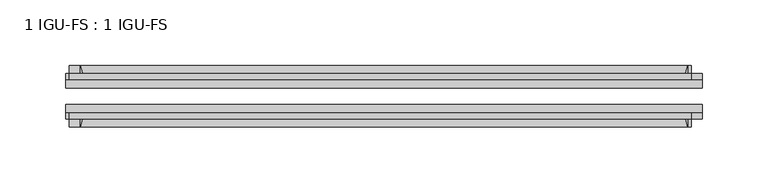
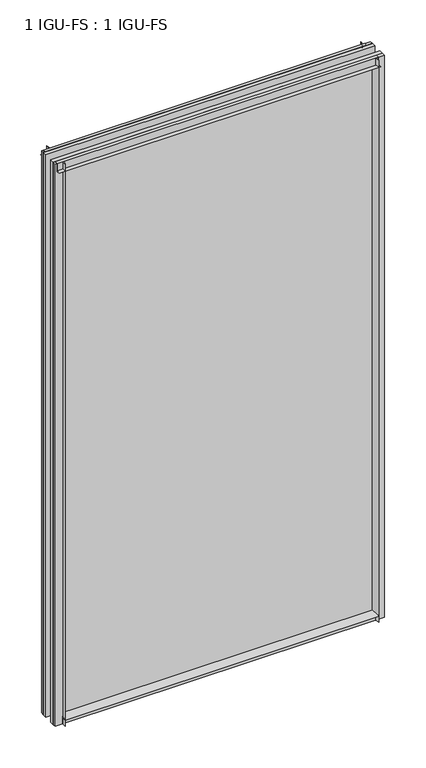
"""IFC4 building model written with IfcOpenShell, lengths in millimetres: plate geometry, 1 IGU-FS : 1 IGU-FS."""

from ifc_helpers import new_model, si_unit, point, frame, frame_2d, origin, place, context, project, spatial, polyline, circle_curve, trimmed, segment, composite_curve, outline, extrude, source, transform, mapped, element, save


def plate_1_igu_fs_1_igu_fs_431c0cd8(model_context):
    return source(origin(), model_context, "Body", "SweptSolid", [
        extrude(outline(composite_curve([segment(polyline([(-44.859575, -9.525), (-44.859575, 0.0), (-50.8285753, 0.0)]), True, "CONTINUOUS"), segment(trimmed(circle_curve(frame_2d((-56.4601953, 32.279754)), 32.7673262), [point((-50.8285753, 0.0))], [point((-40.084375, 3.8978906))], True, "CARTESIAN"), True, "CONTINUOUS"), segment(polyline([(-40.084375, 3.8978906), (-40.084375, -9.525), (-44.859575, -9.525)]), True, "CONTINUOUS")], self_intersect=False)), frame((-231.2458333, 0.0, 0.0), z_axis=(1.0, 0.0, 0.0), x_axis=(0.0, 1.0, 0.0)), (0.0, 0.0, 1.0), 462.4916667),
        extrude(outline(composite_curve([segment(polyline([(-9.909175, -9.525), (-14.684375, -9.525), (-14.684375, 3.8978906)]), True, "CONTINUOUS"), segment(trimmed(circle_curve(frame_2d((1.6914453, 32.279754)), 32.7673262), [point((-14.684375, 3.8978906))], [point((-3.9401747, 0.0))], True, "CARTESIAN"), True, "CONTINUOUS"), segment(polyline([(-3.9401747, 0.0), (-9.909175, 0.0), (-9.909175, -9.525)]), True, "CONTINUOUS")], self_intersect=False)), frame((-231.2458333, 0.0, 0.0), z_axis=(1.0, 0.0, 0.0), x_axis=(0.0, 1.0, 0.0)), (0.0, 0.0, 1.0), 462.4916667),
        extrude(outline(composite_curve([segment(polyline([(-9.909175, 865.1875), (-9.909175, 854.075), (-3.9401753, 854.075)]), True, "CONTINUOUS"), segment(trimmed(circle_curve(frame_2d((1.6914453, 821.7952461)), 32.7673262), [point((-3.9401753, 854.075))], [point((-14.684375, 850.1771095))], True, "CARTESIAN"), True, "CONTINUOUS"), segment(polyline([(-14.684375, 850.1771095), (-14.684375, 865.1875), (-9.909175, 865.1875)]), True, "CONTINUOUS")], self_intersect=False)), frame((-239.758572, 0.0, 0.0), z_axis=(1.0, 0.0, 0.0), x_axis=(0.0, 1.0, 0.0)), (0.0, 0.0, 1.0), 473.5503668),
        extrude(outline(composite_curve([segment(polyline([(-40.084375, 865.1875), (-40.084375, 850.1771095)]), True, "CONTINUOUS"), segment(trimmed(circle_curve(frame_2d((-56.4601953, 821.7952461)), 32.7673262), [point((-40.084375, 850.1771095))], [point((-50.8285747, 854.075))], True, "CARTESIAN"), True, "CONTINUOUS"), segment(polyline([(-50.8285747, 854.075), (-44.859575, 854.075), (-44.859575, 865.1875), (-40.084375, 865.1875)]), True, "CONTINUOUS")], self_intersect=False)), frame((-239.758572, 0.0, 0.0), z_axis=(1.0, 0.0, 0.0), x_axis=(0.0, 1.0, 0.0)), (0.0, 0.0, 1.0), 473.5503668),
        extrude(outline(composite_curve([segment(polyline([(242.3583333, -9.909175), (242.3583333, -14.684375), (227.3479428, -14.684375)]), True, "CONTINUOUS"), segment(trimmed(circle_curve(frame_2d((198.9660794, 1.6914453)), 32.7673262), [point((227.3479428, -14.684375))], [point((231.2458333, -3.940175))], True, "CARTESIAN"), True, "CONTINUOUS"), segment(polyline([(231.2458333, -3.940175), (231.2458333, -9.909175), (242.3583333, -9.909175)]), True, "CONTINUOUS")], self_intersect=False)), frame((0.0, 0.0, -9.525), z_axis=(0.0, 0.0, 1.0), x_axis=(1.0, 0.0, 0.0)), (0.0, 0.0, 1.0), 874.7125),
        extrude(outline(composite_curve([segment(polyline([(242.3583333, -40.084375), (242.3583333, -44.859575), (231.2458333, -44.859575), (231.2458333, -50.828575)]), True, "CONTINUOUS"), segment(trimmed(circle_curve(frame_2d((198.9660794, -56.4601953)), 32.7673262), [point((231.2458333, -50.828575))], [point((227.3479428, -40.084375))], True, "CARTESIAN"), True, "CONTINUOUS"), segment(polyline([(227.3479428, -40.084375), (242.3583333, -40.084375)]), True, "CONTINUOUS")], self_intersect=False)), frame((0.0, 0.0, -9.525), z_axis=(0.0, 0.0, 1.0), x_axis=(1.0, 0.0, 0.0)), (0.0, 0.0, 1.0), 874.7125),
        extrude(outline(composite_curve([segment(polyline([(-242.3583333, -9.909175), (-231.2458333, -9.909175), (-231.2458333, -3.940175)]), True, "CONTINUOUS"), segment(trimmed(circle_curve(frame_2d((-198.9660794, 1.6914453)), 32.7673262), [point((-231.2458333, -3.940175))], [point((-227.3479428, -14.684375))], True, "CARTESIAN"), True, "CONTINUOUS"), segment(polyline([(-227.3479428, -14.684375), (-242.3583333, -14.684375), (-242.3583333, -9.909175)]), True, "CONTINUOUS")], self_intersect=False)), frame((0.0, 0.0, -9.525), z_axis=(0.0, 0.0, 1.0), x_axis=(1.0, 0.0, 0.0)), (0.0, 0.0, 1.0), 874.7125),
        extrude(outline(composite_curve([segment(polyline([(-242.3583333, -44.859575), (-242.3583333, -40.084375), (-227.3479428, -40.084375)]), True, "CONTINUOUS"), segment(trimmed(circle_curve(frame_2d((-198.9660794, -56.4601953)), 32.7673262), [point((-227.3479428, -40.084375))], [point((-231.2458333, -50.828575))], True, "CARTESIAN"), True, "CONTINUOUS"), segment(polyline([(-231.2458333, -50.828575), (-231.2458333, -44.859575), (-242.3583333, -44.859575)]), True, "CONTINUOUS")], self_intersect=False)), frame((0.0, 0.0, -9.525), z_axis=(0.0, 0.0, 1.0), x_axis=(1.0, 0.0, 0.0)), (0.0, 0.0, 1.0), 874.7125),
        extrude(outline(polyline([(-242.3583333, -40.084375), (-242.3583333, -33.785175), (242.3583333, -33.785175), (242.3583333, -40.084375), (-242.3583333, -40.084375)])), frame((0.0, 0.0, -9.525), z_axis=(0.0, 0.0, 1.0), x_axis=(1.0, 0.0, 0.0)), (0.0, 0.0, 1.0), 874.7125),
        extrude(outline(polyline([(242.3583333, -20.983575), (-242.3583333, -20.983575), (-242.3583333, -14.684375), (242.3583333, -14.684375), (242.3583333, -20.983575)])), frame((0.0, 0.0, -9.525), z_axis=(0.0, 0.0, 1.0), x_axis=(1.0, 0.0, 0.0)), (0.0, 0.0, 1.0), 874.7125),
    ])


if __name__ == "__main__":
    model = new_model("IFC4")
    model_context = context("Model", 3, world=origin())
    ifc_project = project(units=[si_unit("LENGTHUNIT", "METRE", prefix="MILLI")], contexts=[model_context])
    site = spatial("IfcSite", under=ifc_project)
    building = spatial("IfcBuilding", under=site)
    placement = place(None, origin())
    plate_1_igu_fs_1_igu_fs_shape = plate_1_igu_fs_1_igu_fs_431c0cd8(model_context)
    element("IfcPlate", 1, ObjectType="1 IGU-FS : 1 IGU-FS", at=placement, inside=building, context=model_context, shape_type="MappedRepresentation", body=[
        mapped(plate_1_igu_fs_1_igu_fs_shape, transform((0.0, 0.0, 0.0), x_axis=(1.0, 0.0, 0.0), y_axis=(0.0, 1.0, 0.0), z_axis=(0.0, 0.0, 1.0))),
    ])
    save(model, "model.ifc")
